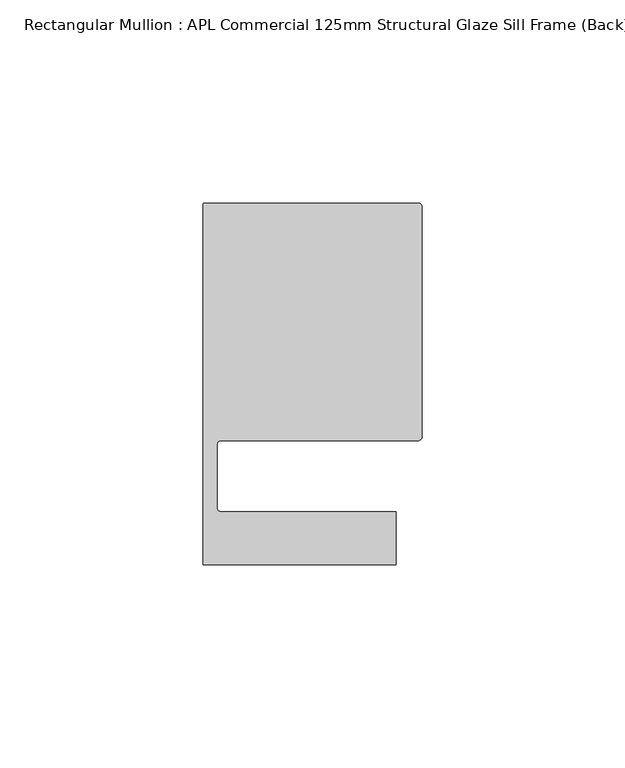
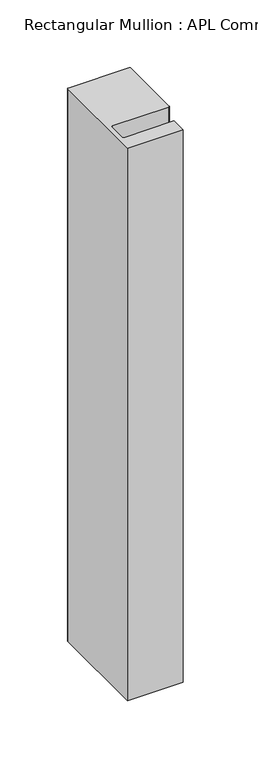
"""IFC4 building model written with IfcOpenShell, lengths in millimetres: member geometry, Rectangular Mullion : APL Commercial 125mm Structural Glaze Sill Frame (Back)."""

import ifcopenshell
import ifcopenshell.guid

model = None  # the IFC model being written
_history = None  # IfcOwnerHistory: only IFC2X3 demands one
_inside = {}  # id of a spatial element -> (the spatial element, [elements in it])
_under = {}  # id of a project, library or spatial element -> (it, [spatial elements below it])
_declared = {}  # id of a project -> (the project, [libraries it declares])
_typed = {}  # id of a type object -> (the type object, [elements of that type])
_made_of = {}  # id of a material, layer set ... -> (it, [elements and type objects made of it])


def new_model(schema):
    """Start an empty IFC model of exactly this schema.

    Asked for "IFC4X3", IfcOpenShell would pick the latest addendum, in which some entities
    have other attributes; the version numbers below select the first issue.
    IFC2X3 requires an IfcOwnerHistory on every rooted entity: one is made here for all.
    """
    global model, _history
    if schema == "IFC4X3":
        model = ifcopenshell.file(schema_version=(4, 3, 0, 0))
    else:
        model = ifcopenshell.file(schema=schema)
    _inside.clear()
    _under.clear()
    _declared.clear()
    _typed.clear()
    _made_of.clear()
    _history = None
    if model.schema == "IFC2X3":
        org = make("IfcOrganization", Name="unknown")
        user = make(
            "IfcPersonAndOrganization",
            ThePerson=make("IfcPerson", FamilyName="unknown"),
            TheOrganization=org,
        )
        app = make(
            "IfcApplication",
            ApplicationDeveloper=org,
            Version="unknown",
            ApplicationFullName="unknown",
            ApplicationIdentifier="unknown",
        )
        _history = make(
            "IfcOwnerHistory",
            OwningUser=user,
            OwningApplication=app,
            ChangeAction="ADDED",
            CreationDate=0,
        )
    return model


def make(cls, **values):
    """One entity of the class cls with the attributes given. An attribute that is None is left unset."""
    return model.create_entity(
        cls, **{name: value for name, value in values.items() if value is not None}
    )


def rooted(cls, **values):
    """An entity with a GlobalId (a new one), such as an element, a storey or a relation."""
    return make(cls, GlobalId=ifcopenshell.guid.new(), OwnerHistory=_history, **values)


def si_unit(unit_type, name, prefix=None):
    """IfcSIUnit, for example si_unit("LENGTHUNIT", "METRE", prefix="MILLI")."""
    return make("IfcSIUnit", UnitType=unit_type, Prefix=prefix, Name=name)


def assignment(units):
    """IfcUnitAssignment: the units of a project."""
    return None if units is None else make("IfcUnitAssignment", Units=units)


def point(xyz):
    """IfcCartesianPoint."""
    return None if xyz is None else make("IfcCartesianPoint", Coordinates=xyz)


def direction(xyz):
    """IfcDirection."""
    return None if xyz is None else make("IfcDirection", DirectionRatios=xyz)


def frame(location, z_axis=None, x_axis=None):
    """IfcAxis2Placement3D, a coordinate frame: its origin and axes. An axis left out is left unset."""
    return make(
        "IfcAxis2Placement3D",
        Location=point(location),
        Axis=direction(z_axis),
        RefDirection=direction(x_axis),
    )


def origin():
    """The frame at (0, 0, 0) with its axes left unset."""
    return frame((0.0, 0.0, 0.0))


def place(relative_to, where):
    """IfcLocalPlacement: puts the frame where relative to a parent placement (None: the world)."""
    return make(
        "IfcLocalPlacement", PlacementRelTo=relative_to, RelativePlacement=where
    )


def context(
    kind, dimensions, precision=None, world=None, true_north=None, identifier=None
):
    """IfcGeometricRepresentationContext, for example the 3D "Model" context."""
    return make(
        "IfcGeometricRepresentationContext",
        ContextIdentifier=identifier,
        ContextType=kind,
        CoordinateSpaceDimension=dimensions,
        Precision=precision,
        WorldCoordinateSystem=world,
        TrueNorth=true_north,
    )


def project(units=None, contexts=None):
    """IfcProject with its units and contexts."""
    return rooted(
        "IfcProject",
        Name="project",
        RepresentationContexts=contexts,
        UnitsInContext=assignment(units),
    )


def spatial(cls, under=None, at=None, **own):
    """A site, building, storey or space (cls), placed at a placement, below another one or the project."""
    s = rooted(cls, ObjectPlacement=at, **own)
    if under is not None:
        _under.setdefault(under.id(), (under, []))[1].append(s)
    return s


def polyline(points):
    """IfcPolyline through the points."""
    return make("IfcPolyline", Points=[point(p) for p in points])


def circle_curve(where, radius):
    """IfcCircle in the frame where."""
    return make("IfcCircle", Position=where, Radius=radius)


def shape(context_of_items, identifier, shape_type, items):
    """IfcShapeRepresentation: the items that make up one representation, for example the "Body"."""
    return make(
        "IfcShapeRepresentation",
        ContextOfItems=context_of_items,
        RepresentationIdentifier=identifier,
        RepresentationType=shape_type,
        Items=items,
    )


def source(mapping_origin, context_of_items, identifier, shape_type, items):
    """IfcRepresentationMap: a shape defined once, which mapped items show again and again."""
    return make(
        "IfcRepresentationMap",
        MappingOrigin=mapping_origin,
        MappedRepresentation=shape(context_of_items, identifier, shape_type, items),
    )


def transform(
    local_origin,
    x_axis=None,
    y_axis=None,
    z_axis=None,
    scale=None,
    scale2=None,
    scale3=None,
    uniform=True,
):
    """IfcCartesianTransformationOperator3D, or its non-uniform kind. x_axis, y_axis, z_axis: its Axis1, 2, 3."""
    if uniform:
        return make(
            "IfcCartesianTransformationOperator3D",
            Axis1=direction(x_axis),
            Axis2=direction(y_axis),
            LocalOrigin=point(local_origin),
            Scale=scale,
            Axis3=direction(z_axis),
        )
    return make(
        "IfcCartesianTransformationOperator3DnonUniform",
        Axis1=direction(x_axis),
        Axis2=direction(y_axis),
        LocalOrigin=point(local_origin),
        Scale=scale,
        Axis3=direction(z_axis),
        Scale2=scale2,
        Scale3=scale3,
    )


def mapped(mapping_source, mapping_target):
    """IfcMappedItem: shows the shape of a source again, moved by a transform."""
    return make(
        "IfcMappedItem", MappingSource=mapping_source, MappingTarget=mapping_target
    )


def made_of(thing, what):
    """Note that an element or type object is made of a material, layer set ...; save() writes the relation."""
    if what is not None:
        _made_of.setdefault(what.id(), (what, []))[1].append(thing)
    return thing


def element(
    cls,
    number,
    at=None,
    inside=None,
    cuts=None,
    type_object=None,
    material=None,
    context=None,
    identifier="Body",
    shape_type=None,
    held_by="IfcProductDefinitionShape",
    body=None,
    shapes=None,
    **own,
):
    """One element of the class cls, such as IfcWall. Its Tag is "e" and its number.

    at: its placement. inside: the storey or other place that contains it. cuts: it is an
    opening in that element (IfcRelVoidsElement). A single representation is given by context,
    identifier, shape_type and body (its items); several are given by shapes. held_by: the class
    of the entity that holds the representations. save() writes the other relations.
    """
    e = rooted(cls, Tag="e%d" % number, ObjectPlacement=at, **own)
    if body is not None:
        shapes = [shape(context, identifier, shape_type, body)]
    if shapes is not None:
        e.Representation = make(held_by, Representations=shapes)
    if inside is not None:
        _inside.setdefault(inside.id(), (inside, []))[1].append(e)
    if cuts is not None:
        rooted(
            "IfcRelVoidsElement", RelatingBuildingElement=cuts, RelatedOpeningElement=e
        )
    if type_object is not None:
        _typed.setdefault(type_object.id(), (type_object, []))[1].append(e)
    return made_of(e, material)


def aggregate(whole, parts):
    """IfcRelAggregates: a whole, such as a stair, and the parts it consists of."""
    return rooted("IfcRelAggregates", RelatingObject=whole, RelatedObjects=parts)


def save(model, path):
    """Write the relations noted so far, then the file.

    IfcRelAggregates (storeys below a building ...), IfcRelContainedInSpatialStructure (elements
    in a storey), IfcRelDefinesByType, IfcRelAssociatesMaterial and IfcRelDeclares: one each for
    every whole, place, type object, material and project.
    """
    for whole, parts in _under.values():
        aggregate(whole, parts)
    for where, things in _inside.values():
        rooted(
            "IfcRelContainedInSpatialStructure",
            RelatedElements=things,
            RelatingStructure=where,
        )
    for kind, things in _typed.values():
        rooted("IfcRelDefinesByType", RelatedObjects=things, RelatingType=kind)
    for what, things in _made_of.values():
        rooted("IfcRelAssociatesMaterial", RelatedObjects=things, RelatingMaterial=what)
    for by, libraries in _declared.values():
        rooted("IfcRelDeclares", RelatingContext=by, RelatedDefinitions=libraries)
    model.write(path)


def plane_surface(at):
    """IfcPlane: the flat surface through the origin of the frame at, square to its z axis."""
    return make("IfcPlane", Position=at)


def cylinder_surface(at, radius):
    """IfcCylindricalSurface: all points at the distance radius from the z axis of the frame at."""
    return make("IfcCylindricalSurface", Position=at, Radius=radius)


def revolved_surface(curve, axis_point, axis_direction):
    """IfcSurfaceOfRevolution: the curve turned about the line through axis_point along axis_direction."""
    return make(
        "IfcSurfaceOfRevolution",
        SweptCurve=make("IfcArbitraryOpenProfileDef", ProfileType="CURVE", Curve=curve),
        AxisPosition=make("IfcAxis1Placement", Location=point(axis_point), Axis=direction(axis_direction)),
    )


def advanced_brep(points, edges, surfaces, faces):
    """IfcAdvancedBrep: a solid bounded by faces that lie on surfaces and meet in shared edges.

    An edge is (start, end): straight between two places in points (the first is 0);
    or (start, end, curve); or (start, end, curve, False) where it runs against its curve.
    A face is (place in surfaces, loops), or (place, loops, False) where it looks against
    its surface's normal. A loop lists edges by number (the first is 1), with a minus sign
    where the edge is run from its end to its start. The first loop is the outer one.
    """
    corners = [point(p) for p in points]
    vertices = [make("IfcVertexPoint", VertexGeometry=c) for c in corners]
    made = []
    for start, end, *more in edges:
        made.append(
            make(
                "IfcEdgeCurve",
                EdgeStart=vertices[start],
                EdgeEnd=vertices[end],
                EdgeGeometry=more[0] if more else make("IfcPolyline", Points=[corners[start], corners[end]]),
                SameSense=more[1] if len(more) > 1 else True,
            )
        )
    hull = []
    for where, loops, *sense in faces:
        bounds = []
        for j, loop in enumerate(loops):
            ring = [make("IfcOrientedEdge", EdgeElement=made[abs(k) - 1], Orientation=k > 0) for k in loop]
            bounds.append(
                make(
                    "IfcFaceOuterBound" if j == 0 else "IfcFaceBound",
                    Bound=make("IfcEdgeLoop", EdgeList=ring),
                    Orientation=True,
                )
            )
        hull.append(make("IfcAdvancedFace", Bounds=bounds, FaceSurface=surfaces[where], SameSense=sense[0] if sense else True))
    return make("IfcAdvancedBrep", Outer=make("IfcClosedShell", CfsFaces=hull))


def rectangular_mullion_apl_commercial_125mm_structural_glaze_af04af87(model_context):
    return source(origin(), model_context, "Body", "AdvancedBrep", [
        advanced_brep(
        [(-53.5000029, 104.0, 0.0), (-54.0000029, 103.5, 0.0), (-54.0000029, 15.0004332, 0.0), (-6.5000029, 15.0004332, 0.0), (-6.5000029, 28.0004332, 0.0), (-49.5000029, 28.0004332, 0.0), (-50.5000029, 29.0004332, 0.0), (-50.5000029, 44.5010268, 0.0), (-49.5000004, 45.5010268, 0.0), (-1.0, 45.5010268, 0.0), (0.0, 46.5010268, 0.0), (0.0, 103.0, 0.0), (-1.0000025, 104.0, 0.0), (-53.5000029, 104.0, -499.5829221), (-1.0000025, 104.0, -499.5829221), (-2.5e-06, 103.0, -499.5829221), (0.0, 46.5010268, -499.5829221), (-1.0, 45.5010268, -499.5829221), (-49.5000004, 45.5010268, -499.5829221), (-50.5000004, 44.5010268, -499.5829221), (-50.5000029, 29.0004332, -499.5829221), (-49.5000029, 28.0004332, -499.5829221), (-6.5000029, 28.0004332, -499.5829221), (-6.5000029, 15.0004332, -499.5829221), (-54.0000029, 15.0004332, -499.5829221), (-54.0000029, 103.5, -499.5829221)],
        [
            (0, 1, circle_curve(frame((-53.5000029, 103.5, 0.0), z_axis=(0.0, 0.0, 1.0), x_axis=(0.0, 1.0, 0.0)), 0.5)),
            (1, 2),
            (2, 3),
            (3, 4),
            (4, 5),
            (5, 6, circle_curve(frame((-49.5000029, 29.0004332, 0.0), z_axis=(0.0, 0.0, -1.0), x_axis=(0.0, -1.0, 0.0)), 1.0)),
            (6, 7),
            (7, 8, circle_curve(frame((-49.5000004, 44.5010268, 0.0), z_axis=(0.0, 0.0, -1.0), x_axis=(-0.9999999999998819, 4.863123717036027e-07, 0.0)), 1.0)),
            (8, 9),
            (9, 10, circle_curve(frame((-1.0, 46.5010268, 0.0), z_axis=(0.0, 0.0, 1.0), x_axis=(0.0, -1.0, 0.0)), 1.0)),
            (10, 11),
            (11, 12, circle_curve(frame((-1.0000025, 103.0, 0.0), z_axis=(0.0, 0.0, 1.0), x_axis=(0.9999999999996143, 8.78371761103865e-07, 0.0)), 1.0)),
            (12, 0),
            (13, 14),
            (14, 15, circle_curve(frame((-1.0000025, 103.0, -499.5829221), z_axis=(0.0, 0.0, -1.0), x_axis=(0.9999999999996143, 8.78371761103865e-07, 0.0)), 1.0)),
            (15, 16),
            (16, 17, circle_curve(frame((-1.0, 46.5010268, -499.5829221), z_axis=(0.0, 0.0, -1.0), x_axis=(0.0, -1.0, 0.0)), 1.0)),
            (17, 18),
            (18, 19, circle_curve(frame((-49.5000004, 44.5010268, -499.5829221), z_axis=(0.0, 0.0, 1.0), x_axis=(-0.9999999999998819, 4.863123717036027e-07, 0.0)), 1.0)),
            (19, 20),
            (20, 21, circle_curve(frame((-49.5000029, 29.0004332, -499.5829221), z_axis=(0.0, 0.0, 1.0), x_axis=(0.0, -1.0, 0.0)), 1.0)),
            (21, 22),
            (22, 23),
            (23, 24),
            (24, 25),
            (25, 13, circle_curve(frame((-53.5000029, 103.5, -499.5829221), z_axis=(0.0, 0.0, -1.0), x_axis=(0.0, 1.0, 0.0)), 0.5)),
            (0, 13),
            (25, 1),
            (24, 2),
            (23, 3),
            (22, 4),
            (21, 5),
            (20, 6),
            (19, 7),
            (18, 8),
            (17, 9),
            (16, 10),
            (15, 11),
            (14, 12),
        ],
        [
            plane_surface(frame((0.0, -116.986179, 0.0), z_axis=(0.0, 0.0, 1.0), x_axis=(-1.0, 0.0, 0.0))),
            plane_surface(frame((0.0, -116.986179, -499.5829221), z_axis=(0.0, 0.0, -1.0), x_axis=(-1.0, 0.0, 0.0))),
            cylinder_surface(frame((-53.5000029, 103.5, 0.0), z_axis=(0.0, 0.0, 1.0), x_axis=(0.0, 1.0, 0.0)), 0.5),
            plane_surface(frame((-54.0000029, 103.5, 0.0), z_axis=(-1.0, 0.0, 0.0), x_axis=(0.0, 0.0, -1.0))),
            plane_surface(frame((-54.0000029, 15.0004332, 0.0), z_axis=(0.0, -1.0, 0.0), x_axis=(0.0, 0.0, -1.0))),
            plane_surface(frame((-6.5000029, 15.0004332, 0.0), z_axis=(1.0, 0.0, 0.0), x_axis=(0.0, 0.0, -1.0))),
            plane_surface(frame((-6.5000029, 28.0004332, 0.0), z_axis=(0.0, 1.0, 0.0), x_axis=(0.0, 0.0, -1.0))),
            revolved_surface(polyline([(-49.5000029, 28.0004332, -499.5829221), (-49.5000029, 28.0004332, 0.0)]), (-49.5000029, 29.0004332, 0.0), (0.0, 0.0, -1.0)),
            plane_surface(frame((-50.5000029, 29.0004332, 0.0), z_axis=(1.0, 0.0, 0.0), x_axis=(0.0, 0.0, -1.0))),
            revolved_surface(polyline([(-50.50000039999988, 44.50102728631237, -499.58292210000025), (-50.50000039999988, 44.50102728631237, 0.0)]), (-49.5000004, 44.5010268, 0.0), (0.0, 0.0, -1.0000000000000002)),
            plane_surface(frame((-49.5000004, 45.5010268, 0.0), z_axis=(0.0, -1.0, 0.0), x_axis=(0.0, 0.0, -1.0))),
            cylinder_surface(frame((-1.0, 46.5010268, 0.0), z_axis=(0.0, 0.0, 1.0), x_axis=(0.0, -1.0, 0.0)), 1.0),
            plane_surface(frame((0.0, 46.5010268, 0.0), z_axis=(1.0, 0.0, 0.0), x_axis=(0.0, 0.0, -1.0))),
            cylinder_surface(frame((-1.0000025, 103.0, 0.0), z_axis=(0.0, 0.0, 1.0000000000000002), x_axis=(0.9999999999996143, 8.78371761103865e-07, 0.0)), 1.0),
            plane_surface(frame((-1.0000025, 104.0, 0.0), z_axis=(0.0, 1.0, 0.0), x_axis=(0.0, 0.0, -1.0))),
        ],
        [
            (0, [[1, 2, 3, 4, 5, 6, 7, 8, 9, 10, 11, 12, 13]]),
            (1, [[14, 15, 16, 17, 18, 19, 20, 21, 22, 23, 24, 25, 26]]),
            (2, [[-1, 27, -26, 28]]),
            (3, [[-2, -28, -25, 29]]),
            (4, [[-3, -29, -24, 30]]),
            (5, [[-4, -30, -23, 31]]),
            (6, [[-5, -31, -22, 32]]),
            (7, [[-6, -32, -21, 33]]),
            (8, [[-7, -33, -20, 34]]),
            (9, [[-8, -34, -19, 35]]),
            (10, [[-9, -35, -18, 36]]),
            (11, [[-10, -36, -17, 37]]),
            (12, [[-11, -37, -16, 38]]),
            (13, [[-12, -38, -15, 39]]),
            (14, [[-13, -39, -14, -27]]),
        ],
    ),
    ])


if __name__ == "__main__":
    model = new_model("IFC4")
    model_context = context("Model", 3, world=origin())
    ifc_project = project(units=[si_unit("LENGTHUNIT", "METRE", prefix="MILLI")], contexts=[model_context])
    site = spatial("IfcSite", under=ifc_project)
    building = spatial("IfcBuilding", under=site)
    placement = place(None, origin())
    rectangular_mullion_apl_commercial_125mm_structural_glaze_shape = rectangular_mullion_apl_commercial_125mm_structural_glaze_af04af87(model_context)
    element("IfcMember", 1, ObjectType="Rectangular Mullion : APL Commercial 125mm Structural Glaze Sill Frame (Back)", at=placement, inside=building, context=model_context, shape_type="MappedRepresentation", body=[
        mapped(rectangular_mullion_apl_commercial_125mm_structural_glaze_shape, transform((0.0, 0.0, 0.0), x_axis=(1.0, 0.0, 0.0), y_axis=(0.0, 1.0, 0.0), z_axis=(0.0, 0.0, 1.0))),
    ])
    save(model, "model.ifc")
